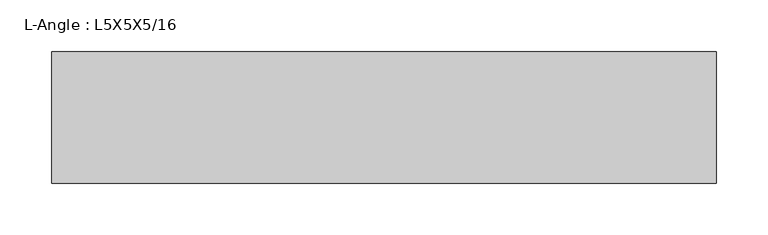
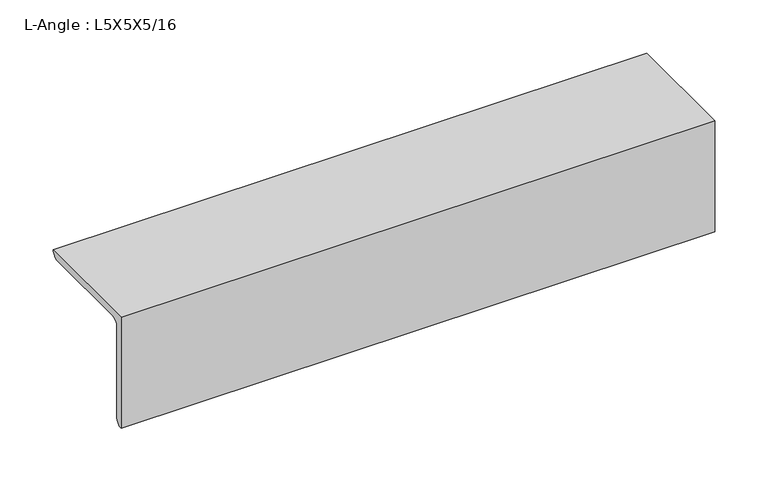
"""IFC4 building model written with IfcOpenShell, lengths in millimetres: beam geometry, L-Angle : L5X5X5/16."""

from ifc_helpers import new_model, si_unit, point, frame, frame_2d, origin, place, context, project, spatial, polyline, circle_curve, trimmed, segment, composite_curve, outline, extrude, source, transform, mapped, element, save


def l_angle_l5x5x5_16_23aad15d(model_context):
    return source(origin(), model_context, "Body", "SweptSolid", [
        extrude(outline(composite_curve([segment(polyline([(-34.3296875, 34.3296875), (92.6703125, 34.3296875)]), True, "CONTINUOUS"), segment(trimmed(circle_curve(frame_2d((84.7328125, 34.3296875)), 7.9375), [point((92.6703125, 34.3296875))], [point((84.7328125, 26.3921875))], False, "CARTESIAN"), True, "CONTINUOUS"), segment(polyline([(84.7328125, 26.3921875), (-18.4546875, 26.3921875)]), True, "CONTINUOUS"), segment(trimmed(circle_curve(frame_2d((-18.4546875, 18.4546875)), 7.9375), [point((-18.4546875, 26.3921875))], [point((-26.3921875, 18.4546875))], True, "CARTESIAN"), True, "CONTINUOUS"), segment(polyline([(-26.3921875, 18.4546875), (-26.3921875, -84.7328125)]), True, "CONTINUOUS"), segment(trimmed(circle_curve(frame_2d((-34.3296875, -84.7328125)), 7.9375), [point((-26.3921875, -84.7328125))], [point((-34.3296875, -92.6703125))], False, "CARTESIAN"), True, "CONTINUOUS"), segment(polyline([(-34.3296875, -92.6703125), (-34.3296875, 34.3296875)]), True, "CONTINUOUS")], self_intersect=False)), frame((-321.2703125, 0.0, 0.0), z_axis=(1.0, 0.0, 0.0), x_axis=(0.0, 1.0, 0.0)), (0.0, 0.0, 1.0), 642.540625),
    ])


if __name__ == "__main__":
    model = new_model("IFC4")
    model_context = context("Model", 3, world=origin())
    ifc_project = project(units=[si_unit("LENGTHUNIT", "METRE", prefix="MILLI")], contexts=[model_context])
    site = spatial("IfcSite", under=ifc_project)
    building = spatial("IfcBuilding", under=site)
    placement = place(None, origin())
    l_angle_l5x5x5_16_shape = l_angle_l5x5x5_16_23aad15d(model_context)
    element("IfcBeam", 1, ObjectType="L-Angle : L5X5X5/16", at=placement, inside=building, context=model_context, shape_type="MappedRepresentation", body=[
        mapped(l_angle_l5x5x5_16_shape, transform((0.0, 0.0, 0.0), x_axis=(1.0, 0.0, 0.0), y_axis=(0.0, 1.0, 0.0), z_axis=(0.0, 0.0, 1.0))),
    ])
    save(model, "model.ifc")
